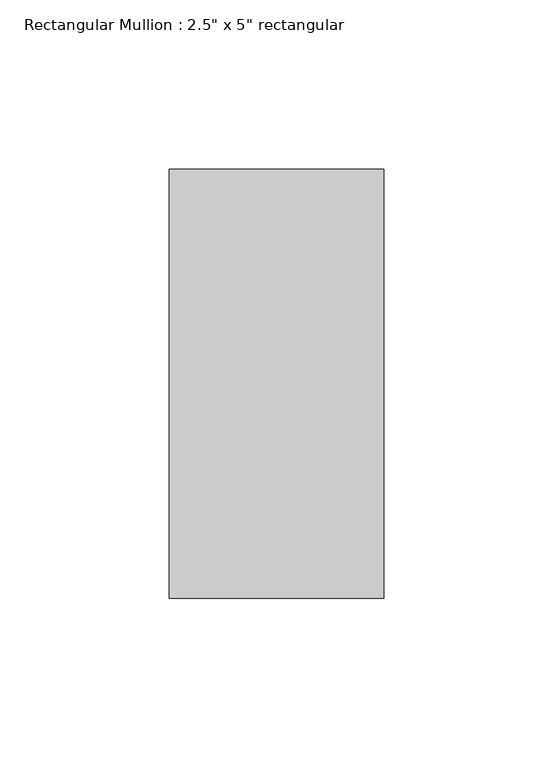
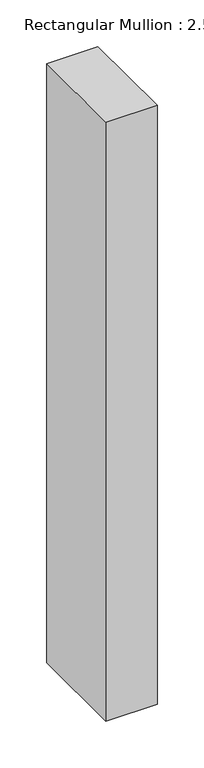
"""IFC4 building model written with IfcOpenShell, lengths in millimetres: member geometry."""

from ifc_helpers import new_model, si_unit, frame, origin, place, context, project, spatial, polyline, outline, extrude, source, transform, mapped, element, save


def member_0a795c7f(model_context):
    return source(origin(), model_context, "Body", "SweptSolid", [
        extrude(outline(polyline([(31.75, 63.5), (31.75, -63.5), (-31.75, -63.5), (-31.75, 63.5), (31.75, 63.5)])), frame((0.0, 0.0, -784.3959385), z_axis=(0.0, 0.0, 1.0), x_axis=(1.0, 0.0, 0.0)), (0.0, 0.0, 1.0), 784.3959385),
    ])


if __name__ == "__main__":
    model = new_model("IFC4")
    model_context = context("Model", 3, world=origin())
    ifc_project = project(units=[si_unit("LENGTHUNIT", "METRE", prefix="MILLI")], contexts=[model_context])
    site = spatial("IfcSite", under=ifc_project)
    building = spatial("IfcBuilding", under=site)
    placement = place(None, origin())
    member_shape = member_0a795c7f(model_context)
    element("IfcMember", 1, ObjectType="Rectangular Mullion : 2.5\" x 5\" rectangular", at=placement, inside=building, context=model_context, shape_type="MappedRepresentation", body=[
        mapped(member_shape, transform((0.0, 0.0, 0.0), x_axis=(1.0, 0.0, 0.0), y_axis=(0.0, 1.0, 0.0), z_axis=(0.0, 0.0, 1.0))),
    ])
    save(model, "model.ifc")
